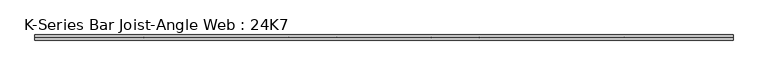
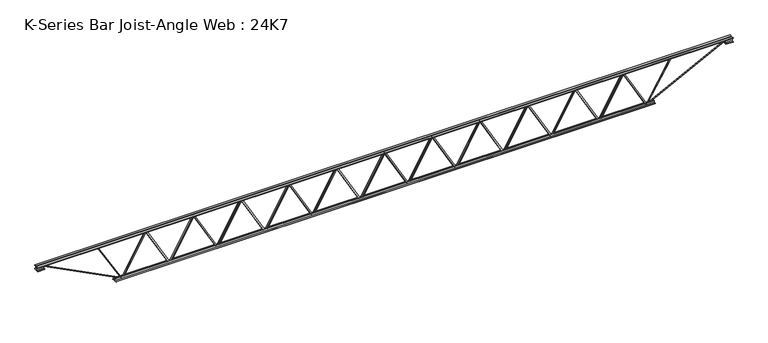
"""IFC4 building model written with IfcOpenShell, lengths in millimetres: beam geometry, K-Series Bar Joist-Angle Web : 24K7."""

from ifc_helpers import new_model, si_unit, frame, origin, place, context, project, spatial, polyline, outline, extrude, faceted_brep, source, transform, mapped, element, save


def k_series_bar_joist_angle_web_24k7_f4c3808e(model_context):
    return source(origin(), model_context, "Body", "SolidModel", [
        extrude(outline(polyline([(-4.7625, 4.7625), (-4.7625, 0.0), (-17.4625, 0.0), (-17.4625, 4.7625), (-4.7625, 4.7625)])), frame((3045.4122535, 0.0, -266.7), z_axis=(-0.4909150615418669, 0.0, 0.8712074393342524), x_axis=(0.0, -1.0, 0.0)), (0.0, 0.0, 1.0), 612.253725),
        extrude(outline(polyline([(-301.625, 3077.0079545), (-282.575, 3077.0079545), (-282.575, 3076.2238322), (301.625, 2747.0340595), (301.625, 2728.7681818), (282.575, 2728.7681818), (282.575, 2735.9023041), (-301.625, 3065.0920769), (-301.625, 3077.0079545)])), frame((0.0, 0.0, 0.0), z_axis=(0.0, 1.0, 0.0), x_axis=(0.0, 0.0, 1.0)), (0.0, 0.0, 1.0), 4.7625),
        faceted_brep([(2393.2284091, 0.0, -282.575), (2393.2284091, 0.0, -301.625), (2393.2284091, -4.7625, -301.625), (2393.2284091, -4.7625, -282.575), (2394.0125314, 0.0, -282.575), (2723.2023041, 0.0, 301.625), (2741.4681818, 0.0, 301.625), (2741.4681818, 0.0, 282.575), (2734.3340595, 0.0, 282.575), (2405.1442868, 0.0, -301.625), (2405.1442868, -4.7625, -301.625), (2424.8241101, -4.7625, -266.7), (2420.6749847, -4.7625, -264.362017), (2721.2395598, -4.7625, 269.037983), (2725.3886852, -4.7625, 266.7), (2734.3340595, -4.7625, 282.575), (2741.4681818, -4.7625, 282.575), (2741.4681818, -4.7625, 301.625), (2723.2023041, -4.7625, 301.625), (2394.0125314, -4.7625, -282.575), (2725.3886852, -17.4625, 266.7), (2424.8241101, -17.4625, -266.7), (2420.6749847, -17.4625, -264.362017), (2721.2395598, -17.4625, 269.037983)], [[[0, 1, 2, 3]], [[1, 0, 4, 5, 6, 7, 8, 9]], [[2, 1, 9, 10]], [[3, 2, 10, 11, 12, 13, 14, 15, 16, 17, 18, 19]], [[0, 3, 19, 4]], [[9, 8, 15, 14, 20, 21, 11, 10]], [[5, 4, 19, 18]], [[7, 6, 17, 16]], [[8, 7, 16, 15]], [[6, 5, 18, 17]], [[21, 22, 12, 11]], [[20, 14, 13, 23]], [[22, 21, 20, 23]], [[12, 22, 23, 13]]]),
        extrude(outline(polyline([(-4.7625, 4.7625001), (-4.7625, 0.0), (-17.4625, 0.0), (-17.4625, 4.7625001), (-4.7625, 4.7625001)])), frame((2361.632708, 0.0, -266.7), z_axis=(-0.4909150615418669, 0.0, 0.8712074393342524), x_axis=(0.0, -1.0, 0.0)), (0.0, 0.0, 1.0), 612.253725),
        extrude(outline(polyline([(-301.625, 2393.2284091), (-282.575, 2393.2284091), (-282.575, 2392.4442868), (301.625, 2063.254514), (301.625, 2044.9886364), (282.575, 2044.9886364), (282.575, 2052.1227587), (-301.625, 2381.3125314), (-301.625, 2393.2284091)])), frame((0.0, 0.0, 0.0), z_axis=(0.0, 1.0, 0.0), x_axis=(0.0, 0.0, 1.0)), (0.0, 0.0, 1.0), 4.7625),
        faceted_brep([(1709.4488636, 0.0, -282.575), (1709.4488636, 0.0, -301.625), (1709.4488636, -4.7625, -301.625), (1709.4488636, -4.7625, -282.575), (1710.232986, 0.0, -282.575), (2039.4227587, 0.0, 301.625), (2057.6886364, 0.0, 301.625), (2057.6886364, 0.0, 282.575), (2050.554514, 0.0, 282.575), (1721.3647413, 0.0, -301.625), (1721.3647413, -4.7625, -301.625), (1741.0445647, -4.7625, -266.7), (1736.8954393, -4.7625, -264.362017), (2037.4600144, -4.7625, 269.037983), (2041.6091398, -4.7625, 266.7), (2050.554514, -4.7625, 282.575), (2057.6886364, -4.7625, 282.575), (2057.6886364, -4.7625, 301.625), (2039.4227587, -4.7625, 301.625), (1710.232986, -4.7625, -282.575), (2041.6091398, -17.4625, 266.7), (1741.0445647, -17.4625, -266.7), (1736.8954393, -17.4625, -264.362017), (2037.4600144, -17.4625, 269.037983)], [[[0, 1, 2, 3]], [[1, 0, 4, 5, 6, 7, 8, 9]], [[2, 1, 9, 10]], [[3, 2, 10, 11, 12, 13, 14, 15, 16, 17, 18, 19]], [[0, 3, 19, 4]], [[9, 8, 15, 14, 20, 21, 11, 10]], [[5, 4, 19, 18]], [[7, 6, 17, 16]], [[8, 7, 16, 15]], [[6, 5, 18, 17]], [[21, 22, 12, 11]], [[20, 14, 13, 23]], [[22, 21, 20, 23]], [[12, 22, 23, 13]]]),
        extrude(outline(polyline([(-4.7625, 4.7625), (-4.7625, 0.0), (-17.4625, 0.0), (-17.4625, 4.7625), (-4.7625, 4.7625)])), frame((1677.8531626, 0.0, -266.7), z_axis=(-0.4909150615418669, 0.0, 0.8712074393342524), x_axis=(0.0, -1.0, 0.0)), (0.0, 0.0, 1.0), 612.253725),
        extrude(outline(polyline([(-301.625, 1709.4488636), (-282.575, 1709.4488636), (-282.575, 1708.6647413), (301.625, 1379.4749686), (301.625, 1361.2090909), (282.575, 1361.2090909), (282.575, 1368.3432132), (-301.625, 1697.532986), (-301.625, 1709.4488636)])), frame((0.0, 0.0, 0.0), z_axis=(0.0, 1.0, 0.0), x_axis=(0.0, 0.0, 1.0)), (0.0, 0.0, 1.0), 4.7625),
        faceted_brep([(1025.6693182, 0.0, -282.575), (1025.6693182, 0.0, -301.625), (1025.6693182, -4.7625, -301.625), (1025.6693182, -4.7625, -282.575), (1026.4534405, 0.0, -282.575), (1355.6432132, 0.0, 301.625), (1373.9090909, 0.0, 301.625), (1373.9090909, 0.0, 282.575), (1366.7749686, 0.0, 282.575), (1037.5851959, 0.0, -301.625), (1037.5851959, -4.7625, -301.625), (1057.2650192, -4.7625, -266.7), (1053.1158938, -4.7625, -264.362017), (1353.6804689, -4.7625, 269.037983), (1357.8295943, -4.7625, 266.7), (1366.7749686, -4.7625, 282.575), (1373.9090909, -4.7625, 282.575), (1373.9090909, -4.7625, 301.625), (1355.6432132, -4.7625, 301.625), (1026.4534405, -4.7625, -282.575), (1357.8295943, -17.4625, 266.7), (1057.2650192, -17.4625, -266.7), (1053.1158938, -17.4625, -264.362017), (1353.6804689, -17.4625, 269.037983)], [[[0, 1, 2, 3]], [[1, 0, 4, 5, 6, 7, 8, 9]], [[2, 1, 9, 10]], [[3, 2, 10, 11, 12, 13, 14, 15, 16, 17, 18, 19]], [[0, 3, 19, 4]], [[9, 8, 15, 14, 20, 21, 11, 10]], [[5, 4, 19, 18]], [[7, 6, 17, 16]], [[8, 7, 16, 15]], [[6, 5, 18, 17]], [[21, 22, 12, 11]], [[20, 14, 13, 23]], [[22, 21, 20, 23]], [[12, 22, 23, 13]]]),
        extrude(outline(polyline([(-4.7625, 4.7625001), (-4.7625, 0.0), (-17.4625, 0.0), (-17.4625, 4.7625001), (-4.7625, 4.7625001)])), frame((994.0736171, 0.0, -266.7), z_axis=(-0.4909150615418669, 0.0, 0.8712074393342524), x_axis=(0.0, -1.0, 0.0)), (0.0, 0.0, 1.0), 612.253725),
        extrude(outline(polyline([(-301.625, 1025.6693182), (-282.575, 1025.6693182), (-282.575, 1024.8851959), (301.625, 695.6954231), (301.625, 677.4295455), (282.575, 677.4295455), (282.575, 684.5636678), (-301.625, 1013.7534405), (-301.625, 1025.6693182)])), frame((0.0, 0.0, 0.0), z_axis=(0.0, 1.0, 0.0), x_axis=(0.0, 0.0, 1.0)), (0.0, 0.0, 1.0), 4.7625),
        faceted_brep([(341.8897727, 0.0, -282.575), (341.8897727, 0.0, -301.625), (341.8897727, -4.7625, -301.625), (341.8897727, -4.7625, -282.575), (342.6738951, 0.0, -282.575), (671.8636678, 0.0, 301.625), (690.1295455, 0.0, 301.625), (690.1295455, 0.0, 282.575), (682.9954231, 0.0, 282.575), (353.8056504, 0.0, -301.625), (353.8056504, -4.7625, -301.625), (373.4854738, -4.7625, -266.7), (369.3363483, -4.7625, -264.362017), (669.9009234, -4.7625, 269.037983), (674.0500489, -4.7625, 266.7), (682.9954231, -4.7625, 282.575), (690.1295455, -4.7625, 282.575), (690.1295455, -4.7625, 301.625), (671.8636678, -4.7625, 301.625), (342.6738951, -4.7625, -282.575), (674.0500489, -17.4625, 266.7), (373.4854738, -17.4625, -266.7), (369.3363483, -17.4625, -264.362017), (669.9009234, -17.4625, 269.037983)], [[[0, 1, 2, 3]], [[1, 0, 4, 5, 6, 7, 8, 9]], [[2, 1, 9, 10]], [[3, 2, 10, 11, 12, 13, 14, 15, 16, 17, 18, 19]], [[0, 3, 19, 4]], [[9, 8, 15, 14, 20, 21, 11, 10]], [[5, 4, 19, 18]], [[7, 6, 17, 16]], [[8, 7, 16, 15]], [[6, 5, 18, 17]], [[21, 22, 12, 11]], [[20, 14, 13, 23]], [[22, 21, 20, 23]], [[12, 22, 23, 13]]]),
        extrude(outline(polyline([(-4.7625, 4.7625), (-4.7625, 0.0), (-17.4625, 0.0), (-17.4625, 4.7625), (-4.7625, 4.7625)])), frame((310.2940717, 0.0, -266.7), z_axis=(-0.4909150615418669, 0.0, 0.8712074393342524), x_axis=(0.0, -1.0, 0.0)), (0.0, 0.0, 1.0), 612.253725),
        extrude(outline(polyline([(-301.625, 341.8897727), (-282.575, 341.8897727), (-282.575, 341.1056504), (301.625, 11.9158777), (301.625, -6.35), (282.575, -6.35), (282.575, 0.7841223), (-301.625, 329.9738951), (-301.625, 341.8897727)])), frame((0.0, 0.0, 0.0), z_axis=(0.0, 1.0, 0.0), x_axis=(0.0, 0.0, 1.0)), (0.0, 0.0, 1.0), 4.7625),
        faceted_brep([(-341.8897727, 0.0, -282.575), (-341.8897727, 0.0, -301.625), (-341.8897727, -4.7625, -301.625), (-341.8897727, -4.7625, -282.575), (-341.1056504, 0.0, -282.575), (-11.9158777, 0.0, 301.625), (6.35, 0.0, 301.625), (6.35, 0.0, 282.575), (-0.7841223, 0.0, 282.575), (-329.9738951, 0.0, -301.625), (-329.9738951, -4.7625, -301.625), (-310.2940717, -4.7625, -266.7), (-314.4431971, -4.7625, -264.362017), (-13.878622, -4.7625, 269.037983), (-9.7294966, -4.7625, 266.7), (-0.7841223, -4.7625, 282.575), (6.35, -4.7625, 282.575), (6.35, -4.7625, 301.625), (-11.9158777, -4.7625, 301.625), (-341.1056504, -4.7625, -282.575), (-9.7294966, -17.4625, 266.7), (-310.2940717, -17.4625, -266.7), (-314.4431971, -17.4625, -264.362017), (-13.878622, -17.4625, 269.037983)], [[[0, 1, 2, 3]], [[1, 0, 4, 5, 6, 7, 8, 9]], [[2, 1, 9, 10]], [[3, 2, 10, 11, 12, 13, 14, 15, 16, 17, 18, 19]], [[0, 3, 19, 4]], [[9, 8, 15, 14, 20, 21, 11, 10]], [[5, 4, 19, 18]], [[7, 6, 17, 16]], [[8, 7, 16, 15]], [[6, 5, 18, 17]], [[21, 22, 12, 11]], [[20, 14, 13, 23]], [[22, 21, 20, 23]], [[12, 22, 23, 13]]]),
        extrude(outline(polyline([(-4.7625, 4.7625001), (-4.7625, 0.0), (-17.4625, 0.0), (-17.4625, 4.7625001), (-4.7625, 4.7625001)])), frame((-373.4854738, 0.0, -266.7), z_axis=(-0.4909150615418669, 0.0, 0.8712074393342524), x_axis=(0.0, -1.0, 0.0)), (0.0, 0.0, 1.0), 612.253725),
        extrude(outline(polyline([(-301.625, -341.8897727), (-282.575, -341.8897727), (-282.575, -342.6738951), (301.625, -671.8636678), (301.625, -690.1295455), (282.575, -690.1295455), (282.575, -682.9954231), (-301.625, -353.8056504), (-301.625, -341.8897727)])), frame((0.0, 0.0, 0.0), z_axis=(0.0, 1.0, 0.0), x_axis=(0.0, 0.0, 1.0)), (0.0, 0.0, 1.0), 4.7625),
        faceted_brep([(-1025.6693182, 0.0, -282.575), (-1025.6693182, 0.0, -301.625), (-1025.6693182, -4.7625, -301.625), (-1025.6693182, -4.7625, -282.575), (-1024.8851959, 0.0, -282.575), (-695.6954231, 0.0, 301.625), (-677.4295455, 0.0, 301.625), (-677.4295455, 0.0, 282.575), (-684.5636678, 0.0, 282.575), (-1013.7534405, 0.0, -301.625), (-1013.7534405, -4.7625, -301.625), (-994.0736171, -4.7625, -266.7), (-998.2227426, -4.7625, -264.362017), (-697.6581675, -4.7625, 269.037983), (-693.509042, -4.7625, 266.7), (-684.5636678, -4.7625, 282.575), (-677.4295455, -4.7625, 282.575), (-677.4295455, -4.7625, 301.625), (-695.6954231, -4.7625, 301.625), (-1024.8851959, -4.7625, -282.575), (-693.509042, -17.4625, 266.7), (-994.0736171, -17.4625, -266.7), (-998.2227426, -17.4625, -264.362017), (-697.6581675, -17.4625, 269.037983)], [[[0, 1, 2, 3]], [[1, 0, 4, 5, 6, 7, 8, 9]], [[2, 1, 9, 10]], [[3, 2, 10, 11, 12, 13, 14, 15, 16, 17, 18, 19]], [[0, 3, 19, 4]], [[9, 8, 15, 14, 20, 21, 11, 10]], [[5, 4, 19, 18]], [[7, 6, 17, 16]], [[8, 7, 16, 15]], [[6, 5, 18, 17]], [[21, 22, 12, 11]], [[20, 14, 13, 23]], [[22, 21, 20, 23]], [[12, 22, 23, 13]]]),
        extrude(outline(polyline([(-4.7625, 4.7625), (-4.7625, 0.0), (-17.4625, 0.0), (-17.4625, 4.7625), (-4.7625, 4.7625)])), frame((-1057.2650192, 0.0, -266.7), z_axis=(-0.4909150615418669, 0.0, 0.8712074393342524), x_axis=(0.0, -1.0, 0.0)), (0.0, 0.0, 1.0), 612.253725),
        extrude(outline(polyline([(-301.625, -1025.6693182), (-282.575, -1025.6693182), (-282.575, -1026.4534405), (301.625, -1355.6432132), (301.625, -1373.9090909), (282.575, -1373.9090909), (282.575, -1366.7749686), (-301.625, -1037.5851959), (-301.625, -1025.6693182)])), frame((0.0, 0.0, 0.0), z_axis=(0.0, 1.0, 0.0), x_axis=(0.0, 0.0, 1.0)), (0.0, 0.0, 1.0), 4.7625),
        faceted_brep([(-1709.4488636, 0.0, -282.575), (-1709.4488636, 0.0, -301.625), (-1709.4488636, -4.7625, -301.625), (-1709.4488636, -4.7625, -282.575), (-1708.6647413, 0.0, -282.575), (-1379.4749686, 0.0, 301.625), (-1361.2090909, 0.0, 301.625), (-1361.2090909, 0.0, 282.575), (-1368.3432132, 0.0, 282.575), (-1697.532986, 0.0, -301.625), (-1697.532986, -4.7625, -301.625), (-1677.8531626, -4.7625, -266.7), (-1682.002288, -4.7625, -264.362017), (-1381.4377129, -4.7625, 269.037983), (-1377.2885875, -4.7625, 266.7), (-1368.3432132, -4.7625, 282.575), (-1361.2090909, -4.7625, 282.575), (-1361.2090909, -4.7625, 301.625), (-1379.4749686, -4.7625, 301.625), (-1708.6647413, -4.7625, -282.575), (-1377.2885875, -17.4625, 266.7), (-1677.8531626, -17.4625, -266.7), (-1682.002288, -17.4625, -264.362017), (-1381.4377129, -17.4625, 269.037983)], [[[0, 1, 2, 3]], [[1, 0, 4, 5, 6, 7, 8, 9]], [[2, 1, 9, 10]], [[3, 2, 10, 11, 12, 13, 14, 15, 16, 17, 18, 19]], [[0, 3, 19, 4]], [[9, 8, 15, 14, 20, 21, 11, 10]], [[5, 4, 19, 18]], [[7, 6, 17, 16]], [[8, 7, 16, 15]], [[6, 5, 18, 17]], [[21, 22, 12, 11]], [[20, 14, 13, 23]], [[22, 21, 20, 23]], [[12, 22, 23, 13]]]),
        extrude(outline(polyline([(-4.7625, 4.7625), (-4.7625, 0.0), (-17.4625, 0.0), (-17.4625, 4.7625), (-4.7625, 4.7625)])), frame((-1741.0445647, 0.0, -266.7), z_axis=(-0.4909150615418669, 0.0, 0.8712074393342524), x_axis=(0.0, -1.0, 0.0)), (0.0, 0.0, 1.0), 612.253725),
        extrude(outline(polyline([(-301.625, -1709.4488636), (-282.575, -1709.4488636), (-282.575, -1710.232986), (301.625, -2039.4227587), (301.625, -2057.6886364), (282.575, -2057.6886364), (282.575, -2050.554514), (-301.625, -1721.3647413), (-301.625, -1709.4488636)])), frame((0.0, 0.0, 0.0), z_axis=(0.0, 1.0, 0.0), x_axis=(0.0, 0.0, 1.0)), (0.0, 0.0, 1.0), 4.7625),
        faceted_brep([(-2393.2284091, 0.0, -282.575), (-2393.2284091, 0.0, -301.625), (-2393.2284091, -4.7625, -301.625), (-2393.2284091, -4.7625, -282.575), (-2392.4442868, 0.0, -282.575), (-2063.254514, 0.0, 301.625), (-2044.9886364, 0.0, 301.625), (-2044.9886364, 0.0, 282.575), (-2052.1227587, 0.0, 282.575), (-2381.3125314, 0.0, -301.625), (-2381.3125314, -4.7625, -301.625), (-2361.632708, -4.7625, -266.7), (-2365.7818335, -4.7625, -264.362017), (-2065.2172584, -4.7625, 269.037983), (-2061.0681329, -4.7625, 266.7), (-2052.1227587, -4.7625, 282.575), (-2044.9886364, -4.7625, 282.575), (-2044.9886364, -4.7625, 301.625), (-2063.254514, -4.7625, 301.625), (-2392.4442868, -4.7625, -282.575), (-2061.0681329, -17.4625, 266.7), (-2361.632708, -17.4625, -266.7), (-2365.7818335, -17.4625, -264.362017), (-2065.2172584, -17.4625, 269.037983)], [[[0, 1, 2, 3]], [[1, 0, 4, 5, 6, 7, 8, 9]], [[2, 1, 9, 10]], [[3, 2, 10, 11, 12, 13, 14, 15, 16, 17, 18, 19]], [[0, 3, 19, 4]], [[9, 8, 15, 14, 20, 21, 11, 10]], [[5, 4, 19, 18]], [[7, 6, 17, 16]], [[8, 7, 16, 15]], [[6, 5, 18, 17]], [[21, 22, 12, 11]], [[20, 14, 13, 23]], [[22, 21, 20, 23]], [[12, 22, 23, 13]]]),
        extrude(outline(polyline([(-4.7625, 4.7625), (-4.7625, 0.0), (-17.4625, 0.0), (-17.4625, 4.7625), (-4.7625, 4.7625)])), frame((-2424.8241101, 0.0, -266.7), z_axis=(-0.4909150615418669, 0.0, 0.8712074393342524), x_axis=(0.0, -1.0, 0.0)), (0.0, 0.0, 1.0), 612.253725),
        extrude(outline(polyline([(-301.625, -2393.2284091), (-282.575, -2393.2284091), (-282.575, -2394.0125314), (301.625, -2723.2023041), (301.625, -2741.4681818), (282.575, -2741.4681818), (282.575, -2734.3340595), (-301.625, -2405.1442868), (-301.625, -2393.2284091)])), frame((0.0, 0.0, 0.0), z_axis=(0.0, 1.0, 0.0), x_axis=(0.0, 0.0, 1.0)), (0.0, 0.0, 1.0), 4.7625),
        faceted_brep([(-3077.0079545, 0.0, -282.575), (-3077.0079545, 0.0, -301.625), (-3077.0079545, -4.7625, -301.625), (-3077.0079545, -4.7625, -282.575), (-3076.2238322, 0.0, -282.575), (-2747.0340595, 0.0, 301.625), (-2728.7681818, 0.0, 301.625), (-2728.7681818, 0.0, 282.575), (-2735.9023041, 0.0, 282.575), (-3065.0920769, 0.0, -301.625), (-3065.0920769, -4.7625, -301.625), (-3045.4122535, -4.7625, -266.7), (-3049.5613789, -4.7625, -264.362017), (-2748.9968038, -4.7625, 269.037983), (-2744.8476784, -4.7625, 266.7), (-2735.9023041, -4.7625, 282.575), (-2728.7681818, -4.7625, 282.575), (-2728.7681818, -4.7625, 301.625), (-2747.0340595, -4.7625, 301.625), (-3076.2238322, -4.7625, -282.575), (-2744.8476784, -17.4625, 266.7), (-3045.4122535, -17.4625, -266.7), (-3049.5613789, -17.4625, -264.362017), (-2748.9968038, -17.4625, 269.037983)], [[[0, 1, 2, 3]], [[1, 0, 4, 5, 6, 7, 8, 9]], [[2, 1, 9, 10]], [[3, 2, 10, 11, 12, 13, 14, 15, 16, 17, 18, 19]], [[0, 3, 19, 4]], [[9, 8, 15, 14, 20, 21, 11, 10]], [[5, 4, 19, 18]], [[7, 6, 17, 16]], [[8, 7, 16, 15]], [[6, 5, 18, 17]], [[21, 22, 12, 11]], [[20, 14, 13, 23]], [[22, 21, 20, 23]], [[12, 22, 23, 13]]]),
        extrude(outline(polyline([(-4.7625, 4.7625), (-4.7625, 0.0), (-17.4625, 0.0), (-17.4625, 4.7625), (-4.7625, 4.7625)])), frame((3729.191799, 0.0, -266.7), z_axis=(-0.4909150615418669, 0.0, 0.8712074393342524), x_axis=(0.0, -1.0, 0.0)), (0.0, 0.0, 1.0), 612.253725),
        extrude(outline(polyline([(-301.625, 3760.7875), (-282.575, 3760.7875), (-282.575, 3760.0033777), (301.625, 3430.8136049), (301.625, 3412.5477273), (282.575, 3412.5477273), (282.575, 3419.6818496), (-301.625, 3748.8716223), (-301.625, 3760.7875)])), frame((0.0, 0.0, 0.0), z_axis=(0.0, 1.0, 0.0), x_axis=(0.0, 0.0, 1.0)), (0.0, 0.0, 1.0), 4.7625),
        faceted_brep([(3077.0079545, 0.0, -282.575), (3077.0079545, 0.0, -301.625), (3077.0079545, -4.7625, -301.625), (3077.0079545, -4.7625, -282.575), (3077.7920769, 0.0, -282.575), (3406.9818496, 0.0, 301.625), (3425.2477273, 0.0, 301.625), (3425.2477273, 0.0, 282.575), (3418.1136049, 0.0, 282.575), (3088.9238322, 0.0, -301.625), (3088.9238322, -4.7625, -301.625), (3108.6036556, -4.7625, -266.7), (3104.4545302, -4.7625, -264.362017), (3405.0191053, -4.7625, 269.037983), (3409.1682307, -4.7625, 266.7), (3418.1136049, -4.7625, 282.575), (3425.2477273, -4.7625, 282.575), (3425.2477273, -4.7625, 301.625), (3406.9818496, -4.7625, 301.625), (3077.7920769, -4.7625, -282.575), (3409.1682307, -17.4625, 266.7), (3108.6036556, -17.4625, -266.7), (3104.4545302, -17.4625, -264.362017), (3405.0191053, -17.4625, 269.037983)], [[[0, 1, 2, 3]], [[1, 0, 4, 5, 6, 7, 8, 9]], [[2, 1, 9, 10]], [[3, 2, 10, 11, 12, 13, 14, 15, 16, 17, 18, 19]], [[0, 3, 19, 4]], [[9, 8, 15, 14, 20, 21, 11, 10]], [[5, 4, 19, 18]], [[7, 6, 17, 16]], [[8, 7, 16, 15]], [[6, 5, 18, 17]], [[21, 22, 12, 11]], [[20, 14, 13, 23]], [[22, 21, 20, 23]], [[12, 22, 23, 13]]]),
        extrude(outline(polyline([(-4.7625, 4.7625), (-4.7625, 0.0), (-17.4625, 0.0), (-17.4625, 4.7625), (-4.7625, 4.7625)])), frame((-3108.6036556, 0.0, -266.7), z_axis=(-0.4909150615418669, 0.0, 0.8712074393342524), x_axis=(0.0, -1.0, 0.0)), (0.0, 0.0, 1.0), 612.253725),
        extrude(outline(polyline([(-301.625, -3077.0079545), (-282.575, -3077.0079545), (-282.575, -3077.7920769), (301.625, -3406.9818496), (301.625, -3425.2477273), (282.575, -3425.2477273), (282.575, -3418.1136049), (-301.625, -3088.9238322), (-301.625, -3077.0079545)])), frame((0.0, 0.0, 0.0), z_axis=(0.0, 1.0, 0.0), x_axis=(0.0, 0.0, 1.0)), (0.0, 0.0, 1.0), 4.7625),
        faceted_brep([(-3760.7875, 0.0, -282.575), (-3760.7875, 0.0, -301.625), (-3760.7875, -4.7625, -301.625), (-3760.7875, -4.7625, -282.575), (-3760.0033777, 0.0, -282.575), (-3430.8136049, 0.0, 301.625), (-3412.5477273, 0.0, 301.625), (-3412.5477273, 0.0, 282.575), (-3419.6818496, 0.0, 282.575), (-3748.8716223, 0.0, -301.625), (-3748.8716223, -4.7625, -301.625), (-3729.191799, -4.7625, -266.7), (-3733.3409244, -4.7625, -264.362017), (-3432.7763493, -4.7625, 269.037983), (-3428.6272239, -4.7625, 266.7), (-3419.6818496, -4.7625, 282.575), (-3412.5477273, -4.7625, 282.575), (-3412.5477273, -4.7625, 301.625), (-3430.8136049, -4.7625, 301.625), (-3760.0033777, -4.7625, -282.575), (-3428.6272239, -17.4625, 266.7), (-3729.191799, -17.4625, -266.7), (-3733.3409244, -17.4625, -264.362017), (-3432.7763493, -17.4625, 269.037983)], [[[0, 1, 2, 3]], [[1, 0, 4, 5, 6, 7, 8, 9]], [[2, 1, 9, 10]], [[3, 2, 10, 11, 12, 13, 14, 15, 16, 17, 18, 19]], [[0, 3, 19, 4]], [[9, 8, 15, 14, 20, 21, 11, 10]], [[5, 4, 19, 18]], [[7, 6, 17, 16]], [[8, 7, 16, 15]], [[6, 5, 18, 17]], [[21, 22, 12, 11]], [[20, 14, 13, 23]], [[22, 21, 20, 23]], [[12, 22, 23, 13]]]),
        extrude(outline(polyline([(4.7625, 304.8), (36.5125, 304.8), (36.5125, 298.45), (11.1125, 298.45), (11.1125, 273.05), (4.7625, 273.05), (4.7625, 304.8)])), frame((-4979.9875, 0.0, 0.0), z_axis=(1.0, 0.0, 0.0), x_axis=(0.0, 1.0, 0.0)), (0.0, 0.0, 1.0), 9959.975),
        extrude(outline(polyline([(-4.7625, 304.8), (-4.7625, 273.05), (-11.1125, 273.05), (-11.1125, 298.45), (-36.5125, 298.45), (-36.5125, 304.8), (-4.7625, 304.8)])), frame((-4979.9875, 0.0, 0.0), z_axis=(1.0, 0.0, 0.0), x_axis=(0.0, 1.0, 0.0)), (0.0, 0.0, 1.0), 9959.975),
        extrude(outline(polyline([(-4.7625, 241.3), (-36.5125, 241.3), (-36.5125, 247.65), (-11.1125, 247.65), (-11.1125, 273.05), (-4.7625, 273.05), (-4.7625, 241.3)])), frame((-4979.9875, 0.0, 0.0), z_axis=(1.0, 0.0, 0.0), x_axis=(0.0, 1.0, 0.0)), (0.0, 0.0, 1.0), 101.6),
        extrude(outline(polyline([(36.5125, 241.3), (4.7625, 241.3), (4.7625, 273.05), (11.1125, 273.05), (11.1125, 247.65), (36.5125, 247.65), (36.5125, 241.3)])), frame((-4979.9875, 0.0, 0.0), z_axis=(1.0, 0.0, 0.0), x_axis=(0.0, 1.0, 0.0)), (0.0, 0.0, 1.0), 101.6),
        extrude(outline(polyline([(4.7625, 241.3), (4.7625, 273.05), (11.1125, 273.05), (11.1125, 247.65), (36.5125, 247.65), (36.5125, 241.3), (4.7625, 241.3)])), frame((4878.3875, 0.0, 0.0), z_axis=(1.0, 0.0, 0.0), x_axis=(0.0, 1.0, 0.0)), (0.0, 0.0, 1.0), 101.6),
        extrude(outline(polyline([(-4.7625, 241.3), (-36.5125, 241.3), (-36.5125, 247.65), (-11.1125, 247.65), (-11.1125, 273.05), (-4.7625, 273.05), (-4.7625, 241.3)])), frame((4878.3875, 0.0, 0.0), z_axis=(1.0, 0.0, 0.0), x_axis=(0.0, 1.0, 0.0)), (0.0, 0.0, 1.0), 101.6),
        extrude(outline(polyline([(4.7625, -304.8), (4.7625, -273.05), (11.1125, -273.05), (11.1125, -298.45), (36.5125, -298.45), (36.5125, -304.8), (4.7625, -304.8)])), frame((-3862.3875, 0.0, 0.0), z_axis=(1.0, 0.0, 0.0), x_axis=(0.0, 1.0, 0.0)), (0.0, 0.0, 1.0), 7724.775),
        extrude(outline(polyline([(-4.7625, -304.8), (-36.5125, -304.8), (-36.5125, -298.45), (-11.1125, -298.45), (-11.1125, -273.05), (-4.7625, -273.05), (-4.7625, -304.8)])), frame((-3862.3875, 0.0, 0.0), z_axis=(1.0, 0.0, 0.0), x_axis=(0.0, 1.0, 0.0)), (0.0, 0.0, 1.0), 7724.775),
        extrude(outline(polyline([(4.7625, 4.7625), (4.7625, -4.7625), (-4.7625, -4.7625), (-4.7625, 4.7625), (4.7625, 4.7625)])), frame((3760.7875, 0.0, -298.45), z_axis=(0.5133799142427696, 0.0, 0.8581614438158397), x_axis=(0.0, -1.0, 0.0)), (0.0, 0.0, 1.0), 665.9586073),
        extrude(outline(polyline([(4.7625, 4.7625), (4.7625, -4.7625), (-4.7625, -4.7625), (-4.7625, 4.7625), (4.7625, 4.7625)])), frame((-3760.7875, 0.0, -298.45), z_axis=(-0.5133799142427491, 0.0, 0.8581614438158519), x_axis=(0.0, -1.0, 0.0)), (0.0, 0.0, 1.0), 665.9586073),
        extrude(outline(polyline([(0.0, -9.525), (0.0, 0.0), (1255.2457966, 0.0), (1255.2457966, -9.525), (0.0, -9.525)])), frame((4880.5558154, -4.7625, 268.8097388), z_axis=(-0.45528931586644295, 0.0, 0.890343551028403), x_axis=(-0.890343551028403, 0.0, -0.45528931586644295)), (0.0, 0.0, 1.0), 9.525),
        extrude(outline(polyline([(0.0, -9.525), (0.0, 0.0), (1255.2457966, 0.0), (1255.2457966, -9.525), (0.0, -9.525)])), frame((-4880.5558154, 4.7625, 268.8097388), z_axis=(0.4552893158664421, 0.0, 0.8903435510284035), x_axis=(0.8903435510284035, 0.0, -0.4552893158664421)), (0.0, 0.0, 1.0), 9.525),
    ])


if __name__ == "__main__":
    model = new_model("IFC4")
    model_context = context("Model", 3, world=origin())
    ifc_project = project(units=[si_unit("LENGTHUNIT", "METRE", prefix="MILLI")], contexts=[model_context])
    site = spatial("IfcSite", under=ifc_project)
    building = spatial("IfcBuilding", under=site)
    placement = place(None, origin())
    k_series_bar_joist_angle_web_24k7_shape = k_series_bar_joist_angle_web_24k7_f4c3808e(model_context)
    element("IfcBeam", 1, ObjectType="K-Series Bar Joist-Angle Web : 24K7", at=placement, inside=building, context=model_context, shape_type="MappedRepresentation", body=[
        mapped(k_series_bar_joist_angle_web_24k7_shape, transform((0.0, 0.0, 0.0), x_axis=(1.0, 0.0, 0.0), y_axis=(0.0, 1.0, 0.0), z_axis=(0.0, 0.0, 1.0))),
    ])
    save(model, "model.ifc")
